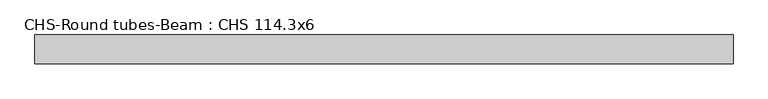
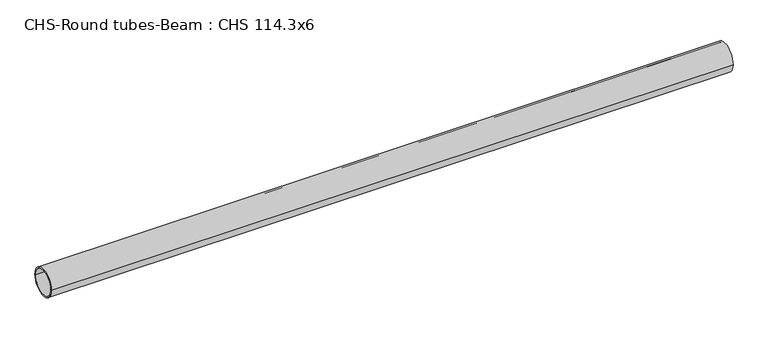
"""IFC4 building model written with IfcOpenShell, lengths in millimetres: beam geometry, CHS-Round tubes-Beam : CHS 114.3x6."""

from ifc_helpers import new_model, si_unit, point, frame, origin, origin_2d, place, context, project, spatial, circle_curve, trimmed, segment, composite_curve, outline, extrude, source, transform, mapped, element, save


def chs_round_tubes_beam_chs_114_3x6_0ac5b90f(model_context):
    return source(origin(), model_context, "Body", "SweptSolid", [
        extrude(outline(composite_curve([segment(trimmed(circle_curve(origin_2d(), 57.15), [point((57.15, 0.0))], [point((-57.15, 0.0))], False, "CARTESIAN"), True, "CONTINUOUS"), segment(trimmed(circle_curve(origin_2d(), 57.15), [point((-57.15, 0.0))], [point((57.15, 0.0))], False, "CARTESIAN"), True, "CONTINUOUS")], self_intersect=False), holes=[composite_curve([segment(trimmed(circle_curve(origin_2d(), 51.15), [point((51.15, 0.0))], [point((-51.15, 0.0))], True, "CARTESIAN"), True, "CONTINUOUS"), segment(trimmed(circle_curve(origin_2d(), 51.15), [point((-51.15, 0.0))], [point((51.15, 0.0))], True, "CARTESIAN"), True, "CONTINUOUS")], self_intersect=False)]), frame((-1361.4429963, 0.0, 0.0), z_axis=(1.0, 0.0, 0.0), x_axis=(0.0, 1.0, 0.0)), (0.0, 0.0, 1.0), 2747.9806579),
    ])


if __name__ == "__main__":
    model = new_model("IFC4")
    model_context = context("Model", 3, world=origin())
    ifc_project = project(units=[si_unit("LENGTHUNIT", "METRE", prefix="MILLI")], contexts=[model_context])
    site = spatial("IfcSite", under=ifc_project)
    building = spatial("IfcBuilding", under=site)
    placement = place(None, origin())
    chs_round_tubes_beam_chs_114_3x6_shape = chs_round_tubes_beam_chs_114_3x6_0ac5b90f(model_context)
    element("IfcBeam", 1, ObjectType="CHS-Round tubes-Beam : CHS 114.3x6", at=placement, inside=building, context=model_context, shape_type="MappedRepresentation", body=[
        mapped(chs_round_tubes_beam_chs_114_3x6_shape, transform((0.0, 0.0, 0.0), x_axis=(1.0, 0.0, 0.0), y_axis=(0.0, 1.0, 0.0), z_axis=(0.0, 0.0, 1.0))),
    ])
    save(model, "model.ifc")
